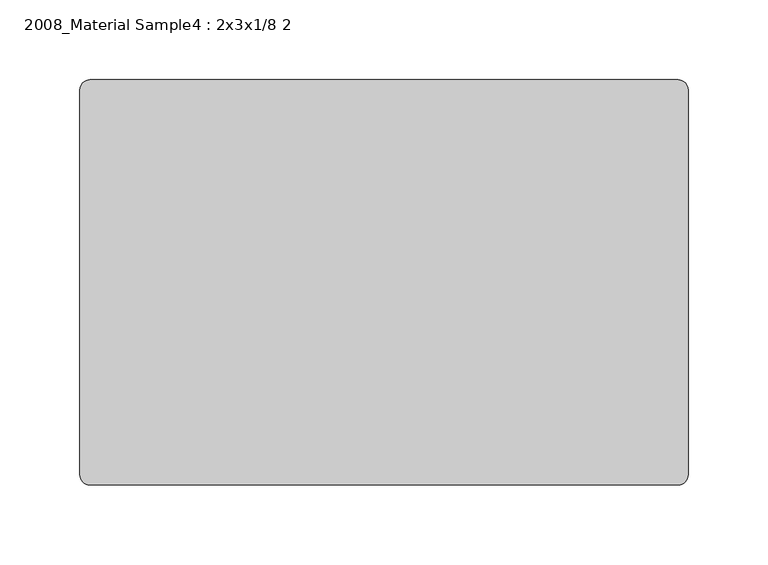
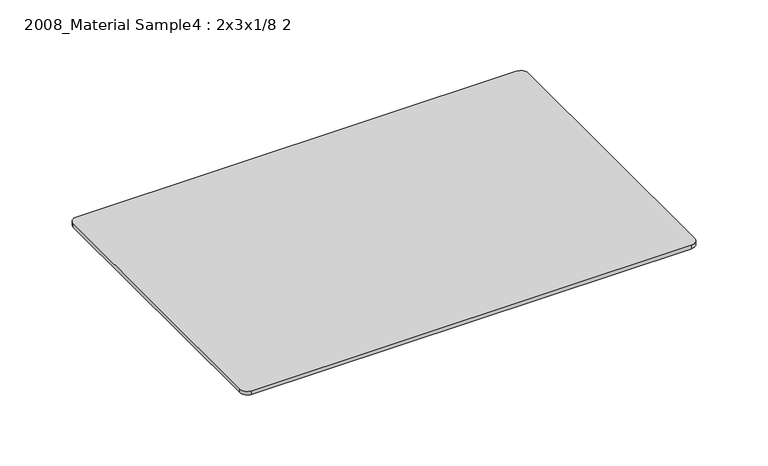
"""IFC4 building model written with IfcOpenShell, lengths in millimetres: furniture geometry, 2008_Material Sample4 : 2x3x1/8 2."""

from ifc_helpers import new_model, si_unit, point, frame, frame_2d, origin, place, context, project, spatial, polyline, circle_curve, trimmed, segment, composite_curve, outline, extrude, source, transform, mapped, element, save


def furniture_2008_material_sample4_2x3x1_8_2_80ec3af2(model_context):
    return source(origin(), model_context, "Body", "SweptSolid", [
        extrude(outline(composite_curve([segment(polyline([(21215.2392185, -10818.2482463), (20846.9392185, -10818.2482463)]), True, "CONTINUOUS"), segment(trimmed(circle_curve(frame_2d((20846.9392185, -10811.8982463)), 6.35), [point((20846.9392185, -10818.2482463))], [point((20840.5892185, -10811.8982463))], False, "CARTESIAN"), True, "CONTINUOUS"), segment(polyline([(20840.5892185, -10811.8982463), (20840.5892185, -10570.5982463)]), True, "CONTINUOUS"), segment(trimmed(circle_curve(frame_2d((20846.9392185, -10570.5982463)), 6.35), [point((20840.5892185, -10570.5982463))], [point((20846.9392185, -10564.2482463))], False, "CARTESIAN"), True, "CONTINUOUS"), segment(polyline([(20846.9392185, -10564.2482463), (21215.2392185, -10564.2482463)]), True, "CONTINUOUS"), segment(trimmed(circle_curve(frame_2d((21215.2392185, -10570.5982463)), 6.35), [point((21215.2392185, -10564.2482463))], [point((21221.5892185, -10570.5982463))], False, "CARTESIAN"), True, "CONTINUOUS"), segment(polyline([(21221.5892185, -10570.5982463), (21221.5892185, -10811.8982463)]), True, "CONTINUOUS"), segment(trimmed(circle_curve(frame_2d((21215.2392185, -10811.8982463)), 6.35), [point((21221.5892185, -10811.8982463))], [point((21215.2392185, -10818.2482463))], False, "CARTESIAN"), True, "CONTINUOUS")], self_intersect=False)), frame((0.0, 0.0, -3.175), z_axis=(0.0, 0.0, 1.0), x_axis=(1.0, 0.0, 0.0)), (0.0, 0.0, 1.0), 3.175),
    ])


if __name__ == "__main__":
    model = new_model("IFC4")
    model_context = context("Model", 3, world=origin())
    ifc_project = project(units=[si_unit("LENGTHUNIT", "METRE", prefix="MILLI")], contexts=[model_context])
    site = spatial("IfcSite", under=ifc_project)
    building = spatial("IfcBuilding", under=site)
    placement = place(None, origin())
    furniture_2008_material_sample4_2x3x1_8_2_shape = furniture_2008_material_sample4_2x3x1_8_2_80ec3af2(model_context)
    element("IfcFurniture", 1, ObjectType="2008_Material Sample4 : 2x3x1/8 2", at=placement, inside=building, context=model_context, shape_type="MappedRepresentation", body=[
        mapped(furniture_2008_material_sample4_2x3x1_8_2_shape, transform((0.0, 0.0, 0.0), x_axis=(1.0, 0.0, 0.0), y_axis=(0.0, 1.0, 0.0), z_axis=(0.0, 0.0, 1.0))),
    ])
    save(model, "model.ifc")
